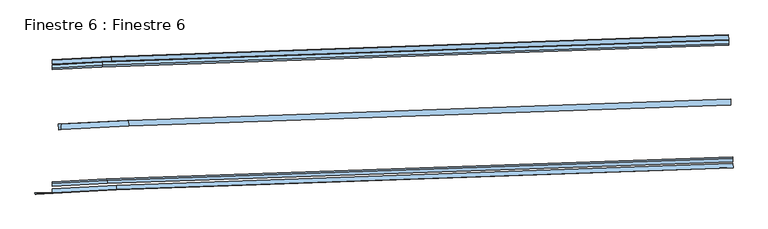
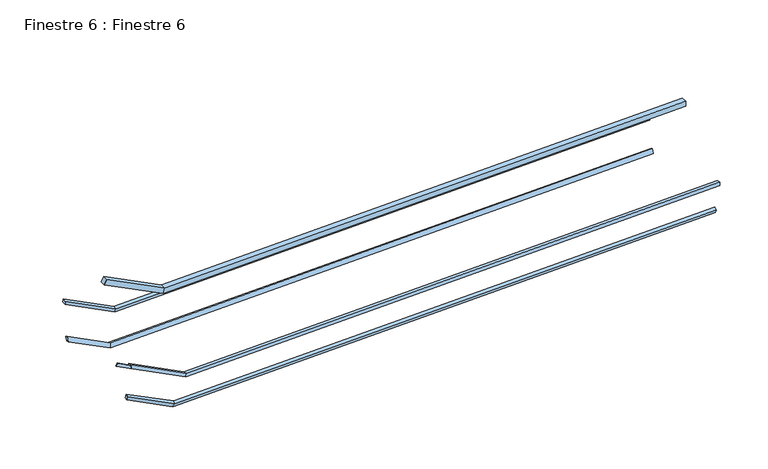
"""IFC4 building model written with IfcOpenShell, lengths in millimetres: window geometry, Finestre 6 : Finestre 6."""

from ifc_helpers import new_model, si_unit, origin, place, context, project, spatial, faceted_brep, source, transform, mapped, element, save


def finestre_6_finestre_6_45f55e3a(model_context):
    return source(origin(), model_context, "Body", "Brep", [
        faceted_brep([(69549.0775184, 117122.5170446, 2505.2215179), (69552.2328006, 117032.5278186, 2493.1011663), (69551.8588367, 117043.1933374, 2413.8161938), (69548.7035545, 117133.1825634, 2425.9365454), (55952.2875011, 116656.4529463, 2425.9365454), (55972.5750066, 116646.4856538, 2505.2215179), (55953.2535912, 116566.3869609, 2413.8161938), (55973.5410967, 116556.4196683, 2493.1011663), (54673.4352979, 116586.1003148, 3109.1434612), (54673.4352979, 116575.0169595, 3199.2667182), (54673.4352979, 116495.9811826, 3097.5392283), (54673.4352979, 116484.8978272, 3187.6624852)], [[[0, 1, 2, 3]], [[4, 5, 0, 3]], [[6, 4, 3, 2]], [[7, 6, 2, 1]], [[5, 7, 1, 0]], [[5, 4, 8, 9]], [[4, 6, 10, 8]], [[6, 7, 11, 10]], [[7, 5, 9, 11]], [[9, 8, 10, 11]]]),
        faceted_brep([(56353.8919288, 115247.8945906, 3780.5263954), (56359.4378965, 115123.012234, 3780.5263954), (69602.9043333, 115587.3664182, 3780.5263954), (69598.524164, 115712.2896511, 3780.5263954), (56320.1542454, 115246.71165, 3645.5263954), (69598.524164, 115712.2896511, 3645.5263954), (69602.9043333, 115587.3664182, 3645.5263954), (56325.700213, 115121.8292934, 3645.5263954), (54868.8235009, 115166.1975255, 4573.9011246), (54875.397152, 115041.3717041, 4573.3521008), (54805.3451186, 115163.3784799, 4454.7896308), (54811.9187697, 115038.5526585, 4454.2406069)], [[[0, 1, 2, 3]], [[4, 5, 6, 7]], [[0, 3, 5, 4]], [[7, 6, 2, 1]], [[1, 0, 8, 9]], [[10, 8, 0, 4]], [[4, 7, 11, 10]], [[9, 11, 7, 1]], [[9, 8, 10, 11]], [[5, 3, 2, 6]]]),
        faceted_brep([(56086.1276003, 113819.1703475, 2457.25), (56092.574445, 113729.010018, 2467.0098346), (69651.3943798, 114204.4214066, 2467.0098346), (69648.2290639, 114294.696796, 2457.25), (56066.631862, 113809.8878721, 2377.7129034), (69648.5301959, 114286.1084561, 2377.7129034), (56073.0787067, 113719.7275426, 2387.472738), (69651.6955118, 114195.8330667, 2387.472738), (54330.5408912, 113632.0764576, 3408.3488782), (54606.2767807, 113647.2453297, 3261.0412642), (54328.9667871, 113647.2453297, 3406.9644128), (54673.4352979, 113733.2448917, 3122.0065171), (54673.4352979, 113741.4548612, 3211.9589089), (54293.5936655, 113621.8339354, 3338.1349675), (54290.9566745, 113647.2453297, 3335.8156654), (54673.4352979, 113647.2453297, 3134.5517865), (54673.4352979, 113650.9398758, 3225.1628701), (54673.4352979, 113647.2453297, 3184.6836384)], [[[0, 1, 2, 3]], [[4, 0, 3, 5]], [[6, 4, 5, 7]], [[1, 6, 7, 2]], [[8, 9, 10]], [[0, 4, 11, 12]], [[4, 6, 13, 14, 15, 11]], [[6, 1, 16, 17, 9, 8, 13]], [[13, 8, 10, 14]], [[2, 7, 5, 3]], [[17, 15, 14, 10, 9]], [[15, 17, 16, 12, 11]], [[1, 0, 12, 16]]]),
        faceted_brep([(55773.5789895, 116528.4942143, 1689.25), (55784.5160023, 116460.8628431, 1720.9463696), (69555.3470815, 116943.7079548, 1720.9463696), (69552.9652126, 117011.6392941, 1689.25), (55753.1784981, 116486.2521643, 1600.2502892), (69554.4194725, 116970.1635348, 1600.2502892), (55760.11265, 116424.1726868, 1616.9393263), (69556.602, 116907.9174516, 1616.9393263), (54673.4352979, 116467.9727534, 2276.9846707), (54673.4352979, 116399.7397117, 2314.5239695), (54673.4352979, 116426.8529818, 2177.0863144), (54673.4352979, 116364.3920405, 2197.4798144)], [[[0, 1, 2, 3]], [[4, 0, 3, 5]], [[6, 4, 5, 7]], [[1, 6, 7, 2]], [[1, 0, 8, 9]], [[0, 4, 10, 8]], [[4, 6, 11, 10]], [[6, 1, 9, 11]], [[2, 7, 5, 3]], [[9, 8, 10, 11]]]),
        faceted_brep([(55861.5100387, 113958.9577253, 1584.6511344), (55888.9683346, 113921.3748377, 1687.6853853), (69644.4077883, 114403.6802746, 1687.6853853), (69643.0579259, 114442.1785992, 1584.6511344), (55859.6764929, 113897.0291724, 1566.3379002), (69645.2244022, 114380.3902986, 1566.3379002), (55883.5832919, 113854.0244296, 1654.2210897), (69646.7597762, 114336.6011491, 1654.2210897), (54673.4352979, 113893.598973, 2219.3616016), (54673.4352979, 113854.5055408, 2337.0650205), (54673.4352979, 113831.7712877, 2200.0688241), (54673.4352979, 113787.4513764, 2300.7238495)], [[[0, 1, 2, 3]], [[4, 0, 3, 5]], [[6, 4, 5, 7]], [[1, 6, 7, 2]], [[1, 0, 8, 9]], [[0, 4, 10, 8]], [[4, 6, 11, 10]], [[6, 1, 9, 11]], [[2, 7, 5, 3]], [[9, 8, 10, 11]]]),
    ])


if __name__ == "__main__":
    model = new_model("IFC4")
    model_context = context("Model", 3, world=origin())
    ifc_project = project(units=[si_unit("LENGTHUNIT", "METRE", prefix="MILLI")], contexts=[model_context])
    site = spatial("IfcSite", under=ifc_project)
    building = spatial("IfcBuilding", under=site)
    placement = place(None, origin())
    finestre_6_finestre_6_shape = finestre_6_finestre_6_45f55e3a(model_context)
    element("IfcWindow", 1, ObjectType="Finestre 6 : Finestre 6", at=placement, inside=building, context=model_context, shape_type="MappedRepresentation", body=[
        mapped(finestre_6_finestre_6_shape, transform((0.0, 0.0, 0.0), x_axis=(1.0, 0.0, 0.0), y_axis=(0.0, 1.0, 0.0), z_axis=(0.0, 0.0, 1.0))),
    ])
    save(model, "model.ifc")
